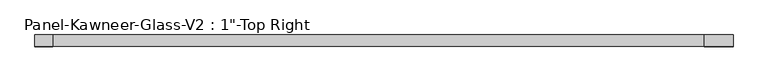
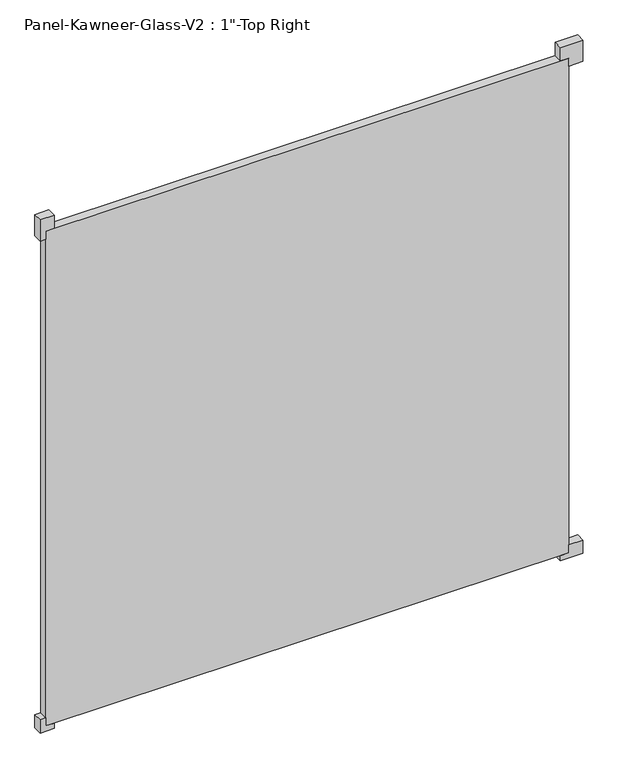
"""IFC4 building model written with IfcOpenShell, lengths in millimetres: plate geometry."""

from ifc_helpers import new_model, si_unit, frame, origin, origin_with_axes, place, context, project, spatial, polyline, outline, extrude, source, transform, mapped, element, save


def plate_8234ca9d(model_context):
    return source(origin(), model_context, "Body", "SweptSolid", [
        extrude(outline(polyline([(-15.875, 714.375), (-15.875, 777.875), (23.8125, 777.875), (23.8125, 738.1875), (0.0, 738.1875), (0.0, 714.375), (-15.875, 714.375)])), frame((0.0, -12.7327949, 0.0), z_axis=(0.0, 1.0, 0.0), x_axis=(0.0, 0.0, 1.0)), (0.0, 0.0, 1.0), 25.4),
        extrude(outline(polyline([(-15.875, -714.375), (0.0, -714.375), (0.0, -738.1875), (23.8125, -738.1875), (23.8125, -754.0625), (-15.875, -754.0625), (-15.875, -714.375)])), frame((0.0, -12.7327949, 0.0), z_axis=(0.0, 1.0, 0.0), x_axis=(0.0, 0.0, 1.0)), (0.0, 0.0, 1.0), 25.4),
        extrude(outline(polyline([(1516.0625, 714.375), (1476.375, 714.375), (1476.375, 738.1875), (1452.5625, 738.1875), (1452.5625, 777.875), (1516.0625, 777.875), (1516.0625, 714.375)])), frame((0.0, -12.7327949, 0.0), z_axis=(0.0, 1.0, 0.0), x_axis=(0.0, 0.0, 1.0)), (0.0, 0.0, 1.0), 25.4),
        extrude(outline(polyline([(1516.0625, -714.375), (1516.0625, -754.0625), (1452.5625, -754.0625), (1452.5625, -738.1875), (1476.375, -738.1875), (1476.375, -714.375), (1516.0625, -714.375)])), frame((0.0, -12.7327949, 0.0), z_axis=(0.0, 1.0, 0.0), x_axis=(0.0, 0.0, 1.0)), (0.0, 0.0, 1.0), 25.4),
        extrude(outline(polyline([(738.1875, 12.6672051), (738.1875, -12.7327949), (-738.1875, -12.7327949), (-738.1875, 12.6672051), (738.1875, 12.6672051)])), origin_with_axes(), (0.0, 0.0, 1.0), 1476.375),
    ])


if __name__ == "__main__":
    model = new_model("IFC4")
    model_context = context("Model", 3, world=origin())
    ifc_project = project(units=[si_unit("LENGTHUNIT", "METRE", prefix="MILLI")], contexts=[model_context])
    site = spatial("IfcSite", under=ifc_project)
    building = spatial("IfcBuilding", under=site)
    placement = place(None, origin())
    plate_shape = plate_8234ca9d(model_context)
    element("IfcPlate", 1, ObjectType="Panel-Kawneer-Glass-V2 : 1\"-Top Right", at=placement, inside=building, context=model_context, shape_type="MappedRepresentation", body=[
        mapped(plate_shape, transform((0.0, 0.0, 0.0), x_axis=(1.0, 0.0, 0.0), y_axis=(0.0, 1.0, 0.0), z_axis=(0.0, 0.0, 1.0))),
    ])
    save(model, "model.ifc")
